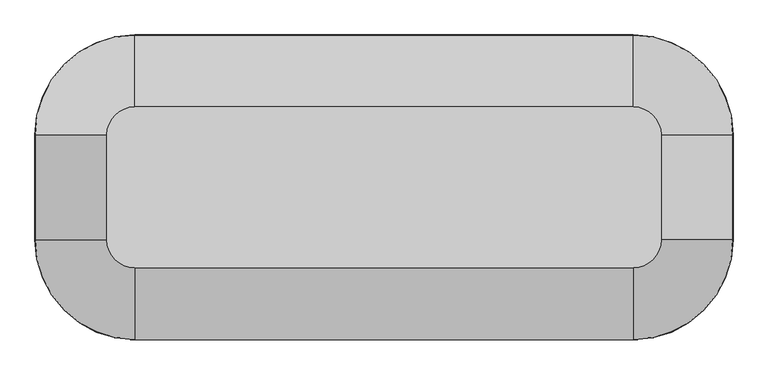
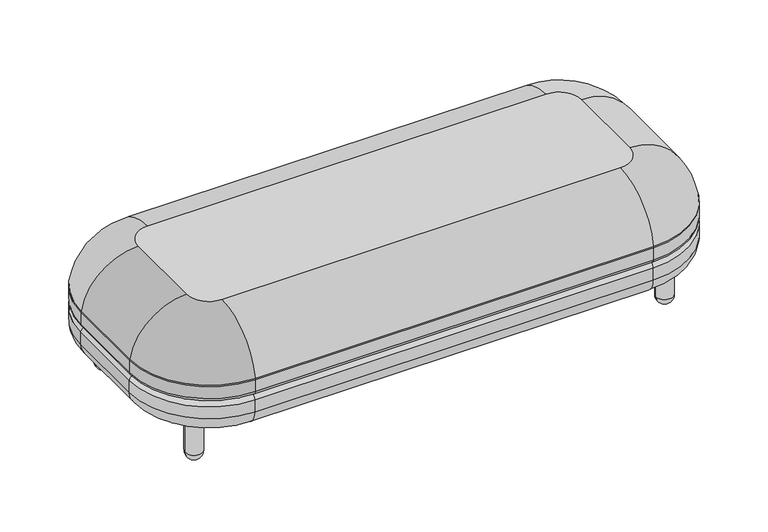
"""IFC4 building model written with IfcOpenShell, lengths in millimetres: furniture geometry."""

from ifc_helpers import new_model, si_unit, point, frame, origin, place, context, project, spatial, circle_curve, ellipse_curve, trimmed, source, transform, mapped, element, save
from ifc_brep_helpers import plane_surface, cylinder_surface, revolved_surface, advanced_brep


def furniture_2217c42d(model_context):
    return source(origin(), model_context, "Body", "AdvancedBrep", [
        advanced_brep(
        [(1295.4286011, 315.1683594, 275.7565503), (1524.0286011, 86.5683594, 275.7565503), (1524.0286011, 86.5683594, 239.7125), (1295.4286011, 315.1683594, 239.7125), (152.4286011, 315.1683594, 239.7125), (152.4286011, 315.1683594, 275.7565503), (-76.1713989, 86.5683594, 239.7125), (-76.1713989, 86.5683594, 275.7565503), (-76.1713989, -154.7316406, 239.7125), (-76.1713989, -154.7316406, 275.7565503), (152.4286011, -383.3316406, 239.7125), (152.4286011, -383.3316406, 275.7565503), (1295.4286011, -383.3316406, 239.7125), (1295.4286011, -383.3316406, 275.7565503), (1524.0286011, -154.7316406, 239.7125), (1524.0286011, -154.7316406, 275.7565503), (1511.3286011, 86.5683594, 227.0125), (1511.3286011, -154.7316406, 227.0125), (1295.4286011, -370.6316406, 227.0125), (152.4286011, -370.6316406, 227.0125), (-63.4713989, -154.7316406, 227.0125), (-63.4713989, 86.5683594, 227.0125), (152.4286011, 302.4683594, 227.0125), (1295.4286011, 302.4683594, 227.0125), (152.4286011, -218.2316406, 419.1), (1295.4286011, -218.2316406, 419.1), (1358.9286011, -154.7316406, 419.1), (1358.9286011, 86.5683594, 419.1), (1295.4286011, 150.0683594, 419.1), (152.4286011, 150.0683594, 419.1), (88.9286011, 86.5683594, 419.1), (88.9286011, -154.7316406, 419.1), (1523.6689183, 86.5683594, 280.0159534), (1295.4286011, 314.8086766, 280.0159534), (152.4286011, 314.8086766, 280.0159534), (-75.8117161, 86.5683594, 280.0159534), (-75.8117161, -154.7316406, 280.0159534), (152.4286011, -382.9719578, 280.0159534), (1295.4286011, -382.9719578, 280.0159534), (1523.6689183, -154.7316406, 280.0159534)],
        [
            (0, 1, circle_curve(frame((1295.4286011, 86.5683594, 275.7565503), z_axis=(0.0, 0.0, -1.0), x_axis=(1.0, 0.0, 0.0)), 228.6)),
            (1, 2),
            (2, 3, circle_curve(frame((1295.4286011, 86.5683594, 239.7125), z_axis=(0.0, 0.0, 1.0), x_axis=(1.0, 0.0, 0.0)), 228.6)),
            (3, 0),
            (3, 4),
            (4, 5),
            (5, 0),
            (4, 6, circle_curve(frame((152.4286011, 86.5683594, 239.7125), z_axis=(0.0, 0.0, 1.0), x_axis=(0.0, 1.0, 0.0)), 228.6)),
            (6, 7),
            (7, 5, circle_curve(frame((152.4286011, 86.5683594, 275.7565503), z_axis=(0.0, 0.0, -1.0), x_axis=(0.0, 1.0, 0.0)), 228.6)),
            (6, 8),
            (8, 9),
            (9, 7),
            (8, 10, circle_curve(frame((152.4286011, -154.7316406, 239.7125), z_axis=(0.0, 0.0, 1.0), x_axis=(-1.0, 0.0, 0.0)), 228.6)),
            (10, 11),
            (11, 9, circle_curve(frame((152.4286011, -154.7316406, 275.7565503), z_axis=(0.0, 0.0, -1.0), x_axis=(-1.0, 0.0, 0.0)), 228.6)),
            (10, 12),
            (12, 13),
            (13, 11),
            (12, 14, circle_curve(frame((1295.4286011, -154.7316406, 239.7125), z_axis=(0.0, 0.0, 1.0), x_axis=(0.0, -1.0, 0.0)), 228.6)),
            (14, 15),
            (15, 13, circle_curve(frame((1295.4286011, -154.7316406, 275.7565503), z_axis=(0.0, 0.0, -1.0), x_axis=(0.0, -1.0, 0.0)), 228.6)),
            (16, 17),
            (17, 18, circle_curve(frame((1295.4286011, -154.7316406, 227.0125), z_axis=(0.0, 0.0, -1.0), x_axis=(0.0, -1.0, 0.0)), 215.9)),
            (18, 19),
            (19, 20, circle_curve(frame((152.4286011, -154.7316406, 227.0125), z_axis=(0.0, 0.0, -1.0), x_axis=(-1.0, 0.0, 0.0)), 215.9)),
            (20, 21),
            (21, 22, circle_curve(frame((152.4286011, 86.5683594, 227.0125), z_axis=(0.0, 0.0, -1.0), x_axis=(0.0, 1.0, 0.0)), 215.9)),
            (22, 23),
            (23, 16, circle_curve(frame((1295.4286011, 86.5683594, 227.0125), z_axis=(0.0, 0.0, -1.0), x_axis=(1.0, 0.0, 0.0)), 215.9)),
            (1, 15),
            (14, 2),
            (24, 25),
            (25, 26, circle_curve(frame((1295.4286011, -154.7316406, 419.1), z_axis=(0.0, 0.0, 1.0), x_axis=(0.0, -1.0, 0.0)), 63.5)),
            (26, 27),
            (27, 28, circle_curve(frame((1295.4286011, 86.5683594, 419.1), z_axis=(0.0, 0.0, 1.0), x_axis=(1.0, 0.0, 0.0)), 63.5)),
            (28, 29),
            (29, 30, circle_curve(frame((152.4286011, 86.5683594, 419.1), z_axis=(0.0, 0.0, 1.0), x_axis=(0.0, 1.0, 0.0)), 63.5)),
            (30, 31),
            (31, 24, circle_curve(frame((152.4286011, -154.7316406, 419.1), z_axis=(0.0, 0.0, 1.0), x_axis=(-1.0, 0.0, 0.0)), 63.5)),
            (27, 32, circle_curve(frame((1358.9286011, 86.5683594, 251.9933287), z_axis=(0.0, 1.0, 0.0), x_axis=(-1.0, 0.0, 0.0)), 167.1066713)),
            (32, 33, circle_curve(frame((1295.4286011, 86.5683594, 280.0159534), z_axis=(0.0, 0.0, 1.0), x_axis=(1.0, 0.0, 0.0)), 228.2403172)),
            (33, 28, circle_curve(frame((1295.4286011, 150.0683594, 251.9933287), z_axis=(1.0, 0.0, 0.0), x_axis=(0.0, -1.0, 0.0)), 167.1066713)),
            (33, 34),
            (34, 29, circle_curve(frame((152.4286011, 150.0683594, 251.9933287), z_axis=(1.0, 0.0, 0.0), x_axis=(0.0, -1.0, 0.0)), 167.1066713)),
            (34, 35, circle_curve(frame((152.4286011, 86.5683594, 280.0159534), z_axis=(0.0, 0.0, 1.0), x_axis=(0.0, 1.0, 0.0)), 228.2403172)),
            (35, 30, circle_curve(frame((88.9286011, 86.5683594, 251.9933287), z_axis=(0.0, 1.0, 0.0), x_axis=(1.0, 0.0, 0.0)), 167.1066713)),
            (35, 36),
            (36, 31, circle_curve(frame((88.9286011, -154.7316406, 251.9933287), z_axis=(0.0, 1.0, 0.0), x_axis=(1.0, 0.0, 0.0)), 167.1066713)),
            (36, 37, circle_curve(frame((152.4286011, -154.7316406, 280.0159534), z_axis=(0.0, 0.0, 1.0), x_axis=(-1.0, 0.0, 0.0)), 228.2403172)),
            (37, 24, circle_curve(frame((152.4286011, -218.2316406, 251.9933287), z_axis=(-1.0, 0.0, 0.0), x_axis=(0.0, 1.0, 0.0)), 167.1066713)),
            (37, 38),
            (38, 25, circle_curve(frame((1295.4286011, -218.2316406, 251.9933287), z_axis=(-1.0, 0.0, 0.0), x_axis=(0.0, 1.0, 0.0)), 167.1066713)),
            (38, 39, circle_curve(frame((1295.4286011, -154.7316406, 280.0159534), z_axis=(0.0, 0.0, 1.0), x_axis=(0.0, -1.0, 0.0)), 228.2403172)),
            (39, 26, circle_curve(frame((1358.9286011, -154.7316406, 251.9933287), z_axis=(0.0, -1.0, 0.0), x_axis=(-1.0, 0.0, 0.0)), 167.1066713)),
            (39, 32),
            (0, 33, circle_curve(frame((1295.4286011, 289.7683594, 275.7565503), z_axis=(1.0, 0.0, 0.0), x_axis=(0.0, -1.0, 0.0)), 25.4)),
            (32, 1, circle_curve(frame((1498.6286011, 86.5683594, 275.7565503), z_axis=(0.0, 1.0, 0.0), x_axis=(-1.0, 0.0, 0.0)), 25.4)),
            (5, 34, circle_curve(frame((152.4286011, 289.7683594, 275.7565503), z_axis=(1.0, 0.0, 0.0), x_axis=(0.0, -1.0, 0.0)), 25.4)),
            (7, 35, circle_curve(frame((-50.7713989, 86.5683594, 275.7565503), z_axis=(0.0, 1.0, 0.0), x_axis=(1.0, 0.0, 0.0)), 25.4)),
            (9, 36, circle_curve(frame((-50.7713989, -154.7316406, 275.7565503), z_axis=(0.0, 1.0, 0.0), x_axis=(1.0, 0.0, 0.0)), 25.4)),
            (11, 37, circle_curve(frame((152.4286011, -357.9316406, 275.7565503), z_axis=(-1.0, 0.0, 0.0), x_axis=(0.0, 1.0, 0.0)), 25.4)),
            (13, 38, circle_curve(frame((1295.4286011, -357.9316406, 275.7565503), z_axis=(-1.0, 0.0, 0.0), x_axis=(0.0, 1.0, 0.0)), 25.4)),
            (15, 39, circle_curve(frame((1498.6286011, -154.7316406, 275.7565503), z_axis=(0.0, -1.0, 0.0), x_axis=(-1.0, 0.0, 0.0)), 25.4)),
            (2, 16, circle_curve(frame((1511.3286011, 86.5683594, 239.7125), z_axis=(0.0, 1.0, 0.0), x_axis=(-1.0, 0.0, 0.0)), 12.7)),
            (23, 3, circle_curve(frame((1295.4286011, 302.4683594, 239.7125), z_axis=(1.0, 0.0, 0.0), x_axis=(0.0, -1.0, 0.0)), 12.7)),
            (22, 4, circle_curve(frame((152.4286011, 302.4683594, 239.7125), z_axis=(1.0, 0.0, 0.0), x_axis=(0.0, -1.0, 0.0)), 12.7)),
            (21, 6, circle_curve(frame((-63.4713989, 86.5683594, 239.7125), z_axis=(0.0, 1.0, 0.0), x_axis=(1.0, 0.0, 0.0)), 12.7)),
            (20, 8, circle_curve(frame((-63.4713989, -154.7316406, 239.7125), z_axis=(0.0, 1.0, 0.0), x_axis=(1.0, 0.0, 0.0)), 12.7)),
            (19, 10, circle_curve(frame((152.4286011, -370.6316406, 239.7125), z_axis=(-1.0, 0.0, 0.0), x_axis=(0.0, 1.0, 0.0)), 12.7)),
            (18, 12, circle_curve(frame((1295.4286011, -370.6316406, 239.7125), z_axis=(-1.0, 0.0, 0.0), x_axis=(0.0, 1.0, 0.0)), 12.7)),
            (17, 14, circle_curve(frame((1511.3286011, -154.7316406, 239.7125), z_axis=(0.0, -1.0, 0.0), x_axis=(-1.0, 0.0, 0.0)), 12.7)),
        ],
        [
            cylinder_surface(frame((1295.4286011, 86.5683594, 419.1), z_axis=(0.0, 0.0, 1.0), x_axis=(1.0, 0.0, 0.0)), 228.6),
            plane_surface(frame((1295.4286011, 315.1683594, 239.7125), z_axis=(0.0, 1.0, 0.0), x_axis=(-1.0, 0.0, 0.0))),
            cylinder_surface(frame((152.4286011, 86.5683594, 419.1), z_axis=(0.0, 0.0, 1.0), x_axis=(0.0, 1.0, 0.0)), 228.6),
            plane_surface(frame((-76.1713989, 86.5683594, 239.7125), z_axis=(-1.0, 0.0, 0.0), x_axis=(0.0, -1.0, 0.0))),
            cylinder_surface(frame((152.4286011, -154.7316406, 419.1), z_axis=(0.0, 0.0, 1.0), x_axis=(-1.0, 0.0, 0.0)), 228.6),
            plane_surface(frame((152.4286011, -383.3316406, 239.7125), z_axis=(0.0, -1.0, 0.0), x_axis=(1.0, 0.0, 0.0))),
            cylinder_surface(frame((1295.4286011, -154.7316406, 419.1), z_axis=(0.0, 0.0, 1.0), x_axis=(0.0, -1.0, 0.0)), 228.6),
            plane_surface(frame((1333.5286011, -154.7316406, 227.0125), z_axis=(0.0, 0.0, -1.0), x_axis=(0.0, 1.0, 0.0))),
            plane_surface(frame((1524.0286011, -154.7316406, 239.7125), z_axis=(1.0, 0.0, 0.0), x_axis=(0.0, 1.0, 0.0))),
            plane_surface(frame((1358.9286011, -154.7316406, 419.1), z_axis=(0.0, 0.0, 1.0), x_axis=(0.0, 1.0, 0.0))),
            revolved_surface(trimmed(ellipse_curve(frame((1358.9286011, 86.5683594, 251.9933287), z_axis=(0.0, -1.0, 0.0), x_axis=(-1.0, 0.0, 0.0)), 167.1066713, 167.1066713), [point((1523.6689183, 86.5683594, 280.0159534))], [point((1358.9286011, 86.5683594, 419.1))], True, "CARTESIAN"), (1295.4286011, 86.5683594, 419.1), (0.0, 0.0, 1.0)),
            cylinder_surface(frame((1295.4286011, 150.0683594, 251.9933287), z_axis=(1.0, 0.0, 0.0), x_axis=(0.0, -1.0, 0.0)), 167.1066713),
            revolved_surface(trimmed(ellipse_curve(frame((152.4286011, 150.0683594, 251.9933287), z_axis=(1.0, 0.0, 0.0), x_axis=(0.0, -1.0, 0.0)), 167.1066713, 167.1066713), [point((152.4286011, 314.8086766, 280.0159534))], [point((152.4286011, 150.0683594, 419.1))], True, "CARTESIAN"), (152.4286011, 86.5683594, 419.1), (0.0, 0.0, 1.0)),
            cylinder_surface(frame((88.9286011, 86.5683594, 251.9933287), z_axis=(0.0, 1.0, 0.0), x_axis=(1.0, 0.0, 0.0)), 167.1066713),
            revolved_surface(trimmed(ellipse_curve(frame((88.9286011, -154.7316406, 251.9933287), z_axis=(0.0, 1.0, 0.0), x_axis=(1.0, 0.0, 0.0)), 167.1066713, 167.1066713), [point((-75.8117161, -154.7316406, 280.0159534))], [point((88.9286011, -154.7316406, 419.1))], True, "CARTESIAN"), (152.4286011, -154.7316406, 419.1), (0.0, 0.0, 1.0)),
            cylinder_surface(frame((152.4286011, -218.2316406, 251.9933287), z_axis=(-1.0, 0.0, 0.0), x_axis=(0.0, 1.0, 0.0)), 167.1066713),
            revolved_surface(trimmed(ellipse_curve(frame((1295.4286011, -218.2316406, 251.9933287), z_axis=(-1.0, 0.0, 0.0), x_axis=(0.0, 1.0, 0.0)), 167.1066713, 167.1066713), [point((1295.4286011, -382.9719578, 280.0159534))], [point((1295.4286011, -218.2316406, 419.1))], True, "CARTESIAN"), (1295.4286011, -154.7316406, 419.1), (0.0, 0.0, 1.0)),
            cylinder_surface(frame((1358.9286011, -154.7316406, 251.9933287), z_axis=(0.0, -1.0, 0.0), x_axis=(-1.0, 0.0, 0.0)), 167.1066713),
            revolved_surface(trimmed(ellipse_curve(frame((1498.6286011, 86.5683594, 275.7565503), z_axis=(0.0, -1.0, 0.0), x_axis=(-1.0, 0.0, 0.0)), 25.4, 25.4), [point((1524.0286011, 86.5683594, 275.7565503))], [point((1523.6689183, 86.5683594, 280.0159534))], True, "CARTESIAN"), (1295.4286011, 86.5683594, 419.1), (0.0, 0.0, 1.0)),
            cylinder_surface(frame((1295.4286011, 289.7683594, 275.7565503), z_axis=(1.0, 0.0, 0.0), x_axis=(0.0, -1.0, 0.0)), 25.4),
            revolved_surface(trimmed(ellipse_curve(frame((152.4286011, 289.7683594, 275.7565503), z_axis=(1.0, 0.0, 0.0), x_axis=(0.0, -1.0, 0.0)), 25.4, 25.4), [point((152.4286011, 315.1683594, 275.7565503))], [point((152.4286011, 314.8086766, 280.0159534))], True, "CARTESIAN"), (152.4286011, 86.5683594, 419.1), (0.0, 0.0, 1.0)),
            cylinder_surface(frame((-50.7713989, 86.5683594, 275.7565503), z_axis=(0.0, 1.0, 0.0), x_axis=(1.0, 0.0, 0.0)), 25.4),
            revolved_surface(trimmed(ellipse_curve(frame((-50.7713989, -154.7316406, 275.7565503), z_axis=(0.0, 1.0, 0.0), x_axis=(1.0, 0.0, 0.0)), 25.4, 25.4), [point((-76.1713989, -154.7316406, 275.7565503))], [point((-75.8117161, -154.7316406, 280.0159534))], True, "CARTESIAN"), (152.4286011, -154.7316406, 419.1), (0.0, 0.0, 1.0)),
            cylinder_surface(frame((152.4286011, -357.9316406, 275.7565503), z_axis=(-1.0, 0.0, 0.0), x_axis=(0.0, 1.0, 0.0)), 25.4),
            revolved_surface(trimmed(ellipse_curve(frame((1295.4286011, -357.9316406, 275.7565503), z_axis=(-1.0, 0.0, 0.0), x_axis=(0.0, 1.0, 0.0)), 25.4, 25.4), [point((1295.4286011, -383.3316406, 275.7565503))], [point((1295.4286011, -382.9719578, 280.0159534))], True, "CARTESIAN"), (1295.4286011, -154.7316406, 419.1), (0.0, 0.0, 1.0)),
            cylinder_surface(frame((1498.6286011, -154.7316406, 275.7565503), z_axis=(0.0, -1.0, 0.0), x_axis=(-1.0, 0.0, 0.0)), 25.4),
            revolved_surface(trimmed(ellipse_curve(frame((1511.3286011, 86.5683594, 239.7125), z_axis=(0.0, -1.0, 0.0), x_axis=(-1.0, 0.0, 0.0)), 12.7, 12.7), [point((1511.3286011, 86.5683594, 227.0125))], [point((1524.0286011, 86.5683594, 239.7125))], True, "CARTESIAN"), (1295.4286011, 86.5683594, 419.1), (0.0, 0.0, 1.0)),
            cylinder_surface(frame((1295.4286011, 302.4683594, 239.7125), z_axis=(1.0, 0.0, 0.0), x_axis=(0.0, -1.0, 0.0)), 12.7),
            revolved_surface(trimmed(ellipse_curve(frame((152.4286011, 302.4683594, 239.7125), z_axis=(1.0, 0.0, 0.0), x_axis=(0.0, -1.0, 0.0)), 12.7, 12.7), [point((152.4286011, 302.4683594, 227.0125))], [point((152.4286011, 315.1683594, 239.7125))], True, "CARTESIAN"), (152.4286011, 86.5683594, 419.1), (0.0, 0.0, 1.0)),
            cylinder_surface(frame((-63.4713989, 86.5683594, 239.7125), z_axis=(0.0, 1.0, 0.0), x_axis=(1.0, 0.0, 0.0)), 12.7),
            revolved_surface(trimmed(ellipse_curve(frame((-63.4713989, -154.7316406, 239.7125), z_axis=(0.0, 1.0, 0.0), x_axis=(1.0, 0.0, 0.0)), 12.7, 12.7), [point((-63.4713989, -154.7316406, 227.0125))], [point((-76.1713989, -154.7316406, 239.7125))], True, "CARTESIAN"), (152.4286011, -154.7316406, 419.1), (0.0, 0.0, 1.0)),
            cylinder_surface(frame((152.4286011, -370.6316406, 239.7125), z_axis=(-1.0, 0.0, 0.0), x_axis=(0.0, 1.0, 0.0)), 12.7),
            revolved_surface(trimmed(ellipse_curve(frame((1295.4286011, -370.6316406, 239.7125), z_axis=(-1.0, 0.0, 0.0), x_axis=(0.0, 1.0, 0.0)), 12.7, 12.7), [point((1295.4286011, -370.6316406, 227.0125))], [point((1295.4286011, -383.3316406, 239.7125))], True, "CARTESIAN"), (1295.4286011, -154.7316406, 419.1), (0.0, 0.0, 1.0)),
            cylinder_surface(frame((1511.3286011, -154.7316406, 239.7125), z_axis=(0.0, -1.0, 0.0), x_axis=(-1.0, 0.0, 0.0)), 12.7),
        ],
        [
            (0, [[1, 2, 3, 4]]),
            (1, [[-4, 5, 6, 7]]),
            (2, [[-6, 8, 9, 10]]),
            (3, [[-9, 11, 12, 13]]),
            (4, [[-12, 14, 15, 16]]),
            (5, [[-15, 17, 18, 19]]),
            (6, [[-18, 20, 21, 22]]),
            (7, [[23, 24, 25, 26, 27, 28, 29, 30]]),
            (8, [[-2, 31, -21, 32]]),
            (9, [[33, 34, 35, 36, 37, 38, 39, 40]]),
            (10, [[-36, 41, 42, 43]]),
            (11, [[-37, -43, 44, 45]]),
            (12, [[-38, -45, 46, 47]]),
            (13, [[-39, -47, 48, 49]]),
            (14, [[-40, -49, 50, 51]]),
            (15, [[-33, -51, 52, 53]]),
            (16, [[-34, -53, 54, 55]]),
            (17, [[-35, -55, 56, -41]]),
            (18, [[-1, 57, -42, 58]]),
            (19, [[-7, 59, -44, -57]]),
            (20, [[-10, 60, -46, -59]]),
            (21, [[-13, 61, -48, -60]]),
            (22, [[-16, 62, -50, -61]]),
            (23, [[-19, 63, -52, -62]]),
            (24, [[-22, 64, -54, -63]]),
            (25, [[-31, -58, -56, -64]]),
            (26, [[-3, 65, -30, 66]]),
            (27, [[-5, -66, -29, 67]]),
            (28, [[-8, -67, -28, 68]]),
            (29, [[-11, -68, -27, 69]]),
            (30, [[-14, -69, -26, 70]]),
            (31, [[-17, -70, -25, 71]]),
            (32, [[-20, -71, -24, 72]]),
            (33, [[-23, -65, -32, -72]]),
        ],
    ),
        advanced_brep(
        [(1295.4286011, -383.3316406, 178.59375), (1524.0286011, -154.7316406, 178.59375), (1524.0286011, -154.7316406, 214.3125), (1295.4286011, -383.3316406, 214.3125), (1295.4286011, -330.1503906, 125.4125), (1470.8473511, -154.7316406, 125.4125), (152.4286011, -383.3316406, 214.3125), (152.4286011, -383.3316406, 178.59375), (152.4286011, -330.1503906, 125.4125), (-76.1713989, -154.7316406, 214.3125), (-76.1713989, -154.7316406, 178.59375), (-22.9901489, -154.7316406, 125.4125), (-76.1713989, 86.5683594, 214.3125), (-76.1713989, 86.5683594, 178.59375), (-22.9901489, 86.5683594, 125.4125), (152.4286011, 315.1683594, 214.3125), (152.4286011, 315.1683594, 178.59375), (152.4286011, 261.9871094, 125.4125), (1295.4286011, 315.1683594, 214.3125), (1295.4286011, 315.1683594, 178.59375), (1295.4286011, 261.9871094, 125.4125), (1524.0286011, 86.5683594, 214.3125), (1524.0286011, 86.5683594, 178.59375), (1470.8473511, 86.5683594, 125.4125), (1511.3286011, -154.7316406, 227.0125), (1511.3286011, 86.5683594, 227.0125), (1295.4286011, 302.4683594, 227.0125), (152.4286011, 302.4683594, 227.0125), (-63.4713989, 86.5683594, 227.0125), (-63.4713989, -154.7316406, 227.0125), (152.4286011, -370.6316406, 227.0125), (1295.4286011, -370.6316406, 227.0125)],
        [
            (0, 1, circle_curve(frame((1295.4286011, -154.7316406, 178.59375), z_axis=(0.0, 0.0, 1.0), x_axis=(1.0, 0.0, 0.0)), 228.6)),
            (1, 2),
            (2, 3, circle_curve(frame((1295.4286011, -154.7316406, 214.3125), z_axis=(0.0, 0.0, -1.0), x_axis=(1.0, 0.0, 0.0)), 228.6)),
            (3, 0),
            (0, 4, circle_curve(frame((1295.4286011, -330.1503906, 178.59375), z_axis=(1.0, 0.0, 0.0), x_axis=(0.0, 1.0, 0.0)), 53.18125)),
            (4, 5, circle_curve(frame((1295.4286011, -154.7316406, 125.4125), z_axis=(0.0, 0.0, 1.0), x_axis=(1.0, 0.0, 0.0)), 175.41875)),
            (5, 1, circle_curve(frame((1470.8473511, -154.7316406, 178.59375), z_axis=(0.0, -1.0, 0.0), x_axis=(-1.0, 0.0, 0.0)), 53.18125)),
            (3, 6),
            (6, 7),
            (7, 0),
            (7, 8, circle_curve(frame((152.4286011, -330.1503906, 178.59375), z_axis=(1.0, 0.0, 0.0), x_axis=(0.0, 1.0, 0.0)), 53.18125)),
            (8, 4),
            (6, 9, circle_curve(frame((152.4286011, -154.7316406, 214.3125), z_axis=(0.0, 0.0, -1.0), x_axis=(0.0, -1.0, 0.0)), 228.6)),
            (9, 10),
            (10, 7, circle_curve(frame((152.4286011, -154.7316406, 178.59375), z_axis=(0.0, 0.0, 1.0), x_axis=(0.0, -1.0, 0.0)), 228.6)),
            (10, 11, circle_curve(frame((-22.9901489, -154.7316406, 178.59375), z_axis=(0.0, -1.0, 0.0), x_axis=(1.0, 0.0, 0.0)), 53.18125)),
            (11, 8, circle_curve(frame((152.4286011, -154.7316406, 125.4125), z_axis=(0.0, 0.0, 1.0), x_axis=(0.0, -1.0, 0.0)), 175.41875)),
            (9, 12),
            (12, 13),
            (13, 10),
            (13, 14, circle_curve(frame((-22.9901489, 86.5683594, 178.59375), z_axis=(0.0, -1.0, 0.0), x_axis=(1.0, 0.0, 0.0)), 53.18125)),
            (14, 11),
            (12, 15, circle_curve(frame((152.4286011, 86.5683594, 214.3125), z_axis=(0.0, 0.0, -1.0), x_axis=(-1.0, 0.0, 0.0)), 228.6)),
            (15, 16),
            (16, 13, circle_curve(frame((152.4286011, 86.5683594, 178.59375), z_axis=(0.0, 0.0, 1.0), x_axis=(-1.0, 0.0, 0.0)), 228.6)),
            (16, 17, circle_curve(frame((152.4286011, 261.9871094, 178.59375), z_axis=(-1.0, 0.0, 0.0), x_axis=(0.0, -1.0, 0.0)), 53.18125)),
            (17, 14, circle_curve(frame((152.4286011, 86.5683594, 125.4125), z_axis=(0.0, 0.0, 1.0), x_axis=(-1.0, 0.0, 0.0)), 175.41875)),
            (15, 18),
            (18, 19),
            (19, 16),
            (19, 20, circle_curve(frame((1295.4286011, 261.9871094, 178.59375), z_axis=(-1.0, 0.0, 0.0), x_axis=(0.0, -1.0, 0.0)), 53.18125)),
            (20, 17),
            (18, 21, circle_curve(frame((1295.4286011, 86.5683594, 214.3125), z_axis=(0.0, 0.0, -1.0), x_axis=(0.0, 1.0, 0.0)), 228.6)),
            (21, 22),
            (22, 19, circle_curve(frame((1295.4286011, 86.5683594, 178.59375), z_axis=(0.0, 0.0, 1.0), x_axis=(0.0, 1.0, 0.0)), 228.6)),
            (22, 23, circle_curve(frame((1470.8473511, 86.5683594, 178.59375), z_axis=(0.0, 1.0, 0.0), x_axis=(-1.0, 0.0, 0.0)), 53.18125)),
            (23, 20, circle_curve(frame((1295.4286011, 86.5683594, 125.4125), z_axis=(0.0, 0.0, 1.0), x_axis=(0.0, 1.0, 0.0)), 175.41875)),
            (24, 25),
            (25, 26, circle_curve(frame((1295.4286011, 86.5683594, 227.0125), z_axis=(0.0, 0.0, 1.0), x_axis=(0.0, 1.0, 0.0)), 215.9)),
            (26, 27),
            (27, 28, circle_curve(frame((152.4286011, 86.5683594, 227.0125), z_axis=(0.0, 0.0, 1.0), x_axis=(-1.0, 0.0, 0.0)), 215.9)),
            (28, 29),
            (29, 30, circle_curve(frame((152.4286011, -154.7316406, 227.0125), z_axis=(0.0, 0.0, 1.0), x_axis=(0.0, -1.0, 0.0)), 215.9)),
            (30, 31),
            (31, 24, circle_curve(frame((1295.4286011, -154.7316406, 227.0125), z_axis=(0.0, 0.0, 1.0), x_axis=(1.0, 0.0, 0.0)), 215.9)),
            (1, 22),
            (21, 2),
            (5, 23),
            (2, 24, circle_curve(frame((1511.3286011, -154.7316406, 214.3125), z_axis=(0.0, -1.0, 0.0), x_axis=(-1.0, 0.0, 0.0)), 12.7)),
            (31, 3, circle_curve(frame((1295.4286011, -370.6316406, 214.3125), z_axis=(1.0, 0.0, 0.0), x_axis=(0.0, 1.0, 0.0)), 12.7)),
            (30, 6, circle_curve(frame((152.4286011, -370.6316406, 214.3125), z_axis=(1.0, 0.0, 0.0), x_axis=(0.0, 1.0, 0.0)), 12.7)),
            (29, 9, circle_curve(frame((-63.4713989, -154.7316406, 214.3125), z_axis=(0.0, -1.0, 0.0), x_axis=(1.0, 0.0, 0.0)), 12.7)),
            (28, 12, circle_curve(frame((-63.4713989, 86.5683594, 214.3125), z_axis=(0.0, -1.0, 0.0), x_axis=(1.0, 0.0, 0.0)), 12.7)),
            (27, 15, circle_curve(frame((152.4286011, 302.4683594, 214.3125), z_axis=(-1.0, 0.0, 0.0), x_axis=(0.0, -1.0, 0.0)), 12.7)),
            (26, 18, circle_curve(frame((1295.4286011, 302.4683594, 214.3125), z_axis=(-1.0, 0.0, 0.0), x_axis=(0.0, -1.0, 0.0)), 12.7)),
            (25, 21, circle_curve(frame((1511.3286011, 86.5683594, 214.3125), z_axis=(0.0, 1.0, 0.0), x_axis=(-1.0, 0.0, 0.0)), 12.7)),
        ],
        [
            cylinder_surface(frame((1295.4286011, -154.7316406, 125.4125), z_axis=(0.0, 0.0, -1.0), x_axis=(1.0, 0.0, 0.0)), 228.6),
            revolved_surface(trimmed(ellipse_curve(frame((1470.8473511, -154.7316406, 178.59375), z_axis=(0.0, 1.0, 0.0), x_axis=(-1.0, 0.0, 0.0)), 53.18125, 53.18125), [point((1524.0286011, -154.7316406, 178.59375))], [point((1470.8473511, -154.7316406, 125.4125))], True, "CARTESIAN"), (1295.4286011, -154.7316406, 125.4125), (0.0, 0.0, -1.0)),
            plane_surface(frame((1295.4286011, -383.3316406, 214.3125), z_axis=(0.0, -1.0, 0.0), x_axis=(-1.0, 0.0, 0.0))),
            cylinder_surface(frame((1295.4286011, -330.1503906, 178.59375), z_axis=(1.0, 0.0, 0.0), x_axis=(0.0, 1.0, 0.0)), 53.18125),
            cylinder_surface(frame((152.4286011, -154.7316406, 125.4125), z_axis=(0.0, 0.0, -1.0), x_axis=(0.0, -1.0, 0.0)), 228.6),
            revolved_surface(trimmed(ellipse_curve(frame((152.4286011, -330.1503906, 178.59375), z_axis=(1.0, 0.0, 0.0), x_axis=(0.0, 1.0, 0.0)), 53.18125, 53.18125), [point((152.4286011, -383.3316406, 178.59375))], [point((152.4286011, -330.1503906, 125.4125))], True, "CARTESIAN"), (152.4286011, -154.7316406, 125.4125), (0.0, 0.0, -1.0)),
            plane_surface(frame((-76.1713989, -154.7316406, 214.3125), z_axis=(-1.0, 0.0, 0.0), x_axis=(0.0, 1.0, 0.0))),
            cylinder_surface(frame((-22.9901489, -154.7316406, 178.59375), z_axis=(0.0, -1.0, 0.0), x_axis=(1.0, 0.0, 0.0)), 53.18125),
            cylinder_surface(frame((152.4286011, 86.5683594, 125.4125), z_axis=(0.0, 0.0, -1.0), x_axis=(-1.0, 0.0, 0.0)), 228.6),
            revolved_surface(trimmed(ellipse_curve(frame((-22.9901489, 86.5683594, 178.59375), z_axis=(0.0, -1.0, 0.0), x_axis=(1.0, 0.0, 0.0)), 53.18125, 53.18125), [point((-76.1713989, 86.5683594, 178.59375))], [point((-22.9901489, 86.5683594, 125.4125))], True, "CARTESIAN"), (152.4286011, 86.5683594, 125.4125), (0.0, 0.0, -1.0)),
            plane_surface(frame((152.4286011, 315.1683594, 214.3125), z_axis=(0.0, 1.0, 0.0), x_axis=(1.0, 0.0, 0.0))),
            cylinder_surface(frame((152.4286011, 261.9871094, 178.59375), z_axis=(-1.0, 0.0, 0.0), x_axis=(0.0, -1.0, 0.0)), 53.18125),
            cylinder_surface(frame((1295.4286011, 86.5683594, 125.4125), z_axis=(0.0, 0.0, -1.0), x_axis=(0.0, 1.0, 0.0)), 228.6),
            revolved_surface(trimmed(ellipse_curve(frame((1295.4286011, 261.9871094, 178.59375), z_axis=(-1.0, 0.0, 0.0), x_axis=(0.0, -1.0, 0.0)), 53.18125, 53.18125), [point((1295.4286011, 315.1683594, 178.59375))], [point((1295.4286011, 261.9871094, 125.4125))], True, "CARTESIAN"), (1295.4286011, 86.5683594, 125.4125), (0.0, 0.0, -1.0)),
            plane_surface(frame((1333.5286011, 86.5683594, 227.0125), z_axis=(0.0, 0.0, 1.0), x_axis=(0.0, -1.0, 0.0))),
            plane_surface(frame((1524.0286011, 86.5683594, 214.3125), z_axis=(1.0, 0.0, 0.0), x_axis=(0.0, -1.0, 0.0))),
            cylinder_surface(frame((1470.8473511, 86.5683594, 178.59375), z_axis=(0.0, 1.0, 0.0), x_axis=(-1.0, 0.0, 0.0)), 53.18125),
            plane_surface(frame((1470.8473511, 86.5683594, 125.4125), z_axis=(0.0, 0.0, -1.0), x_axis=(0.0, -1.0, 0.0))),
            revolved_surface(trimmed(ellipse_curve(frame((1511.3286011, -154.7316406, 214.3125), z_axis=(0.0, 1.0, 0.0), x_axis=(-1.0, 0.0, 0.0)), 12.7, 12.7), [point((1511.3286011, -154.7316406, 227.0125))], [point((1524.0286011, -154.7316406, 214.3125))], True, "CARTESIAN"), (1295.4286011, -154.7316406, 125.4125), (0.0, 0.0, -1.0)),
            cylinder_surface(frame((1295.4286011, -370.6316406, 214.3125), z_axis=(1.0, 0.0, 0.0), x_axis=(0.0, 1.0, 0.0)), 12.7),
            revolved_surface(trimmed(ellipse_curve(frame((152.4286011, -370.6316406, 214.3125), z_axis=(1.0, 0.0, 0.0), x_axis=(0.0, 1.0, 0.0)), 12.7, 12.7), [point((152.4286011, -370.6316406, 227.0125))], [point((152.4286011, -383.3316406, 214.3125))], True, "CARTESIAN"), (152.4286011, -154.7316406, 125.4125), (0.0, 0.0, -1.0)),
            cylinder_surface(frame((-63.4713989, -154.7316406, 214.3125), z_axis=(0.0, -1.0, 0.0), x_axis=(1.0, 0.0, 0.0)), 12.7),
            revolved_surface(trimmed(ellipse_curve(frame((-63.4713989, 86.5683594, 214.3125), z_axis=(0.0, -1.0, 0.0), x_axis=(1.0, 0.0, 0.0)), 12.7, 12.7), [point((-63.4713989, 86.5683594, 227.0125))], [point((-76.1713989, 86.5683594, 214.3125))], True, "CARTESIAN"), (152.4286011, 86.5683594, 125.4125), (0.0, 0.0, -1.0)),
            cylinder_surface(frame((152.4286011, 302.4683594, 214.3125), z_axis=(-1.0, 0.0, 0.0), x_axis=(0.0, -1.0, 0.0)), 12.7),
            revolved_surface(trimmed(ellipse_curve(frame((1295.4286011, 302.4683594, 214.3125), z_axis=(-1.0, 0.0, 0.0), x_axis=(0.0, -1.0, 0.0)), 12.7, 12.7), [point((1295.4286011, 302.4683594, 227.0125))], [point((1295.4286011, 315.1683594, 214.3125))], True, "CARTESIAN"), (1295.4286011, 86.5683594, 125.4125), (0.0, 0.0, -1.0)),
            cylinder_surface(frame((1511.3286011, 86.5683594, 214.3125), z_axis=(0.0, 1.0, 0.0), x_axis=(-1.0, 0.0, 0.0)), 12.7),
        ],
        [
            (0, [[1, 2, 3, 4]]),
            (1, [[-1, 5, 6, 7]]),
            (2, [[-4, 8, 9, 10]]),
            (3, [[-5, -10, 11, 12]]),
            (4, [[-9, 13, 14, 15]]),
            (5, [[-11, -15, 16, 17]]),
            (6, [[-14, 18, 19, 20]]),
            (7, [[-16, -20, 21, 22]]),
            (8, [[-19, 23, 24, 25]]),
            (9, [[-21, -25, 26, 27]]),
            (10, [[-24, 28, 29, 30]]),
            (11, [[-26, -30, 31, 32]]),
            (12, [[-29, 33, 34, 35]]),
            (13, [[-31, -35, 36, 37]]),
            (14, [[38, 39, 40, 41, 42, 43, 44, 45]]),
            (15, [[-2, 46, -34, 47]]),
            (16, [[-7, 48, -36, -46]]),
            (17, [[-6, -12, -17, -22, -27, -32, -37, -48]]),
            (18, [[-3, 49, -45, 50]]),
            (19, [[-8, -50, -44, 51]]),
            (20, [[-13, -51, -43, 52]]),
            (21, [[-18, -52, -42, 53]]),
            (22, [[-23, -53, -41, 54]]),
            (23, [[-28, -54, -40, 55]]),
            (24, [[-33, -55, -39, 56]]),
            (25, [[-38, -49, -47, -56]]),
        ],
    ),
        advanced_brep(
        [(1389.5601417, 190.2519531, 0.0), (1408.664248, 190.2519531, 0.0), (1399.1121949, 190.2519531, 0.0), (1399.1121949, 190.2519531, 204.0), (1423.6704942, 190.2519531, 204.0), (1374.5538955, 190.2519531, 204.0), (1423.6704942, 190.2519531, 23.6724089), (1374.5538955, 190.2519531, 23.6724089)],
        [
            (0, 1, circle_curve(frame((1399.1121949, 190.2519531, 0.0), z_axis=(0.0, 0.0, -1.0), x_axis=(1.0, 0.0, 0.0)), 9.5520532)),
            (1, 2),
            (2, 0),
            (1, 0, circle_curve(frame((1399.1121949, 190.2519531, 0.0), z_axis=(0.0, 0.0, -1.0), x_axis=(1.0, 0.0, 0.0)), 9.5520532)),
            (3, 4),
            (4, 5, circle_curve(frame((1399.1121949, 190.2519531, 204.0), z_axis=(0.0, 0.0, 1.0), x_axis=(1.0, 0.0, 0.0)), 24.5582993)),
            (5, 3),
            (5, 4, circle_curve(frame((1399.1121949, 190.2519531, 204.0), z_axis=(0.0, 0.0, 1.0), x_axis=(1.0, 0.0, 0.0)), 24.5582993)),
            (4, 6),
            (6, 7, circle_curve(frame((1399.1121949, 190.2519531, 23.6724089), z_axis=(0.0, 0.0, 1.0), x_axis=(1.0, 0.0, 0.0)), 24.5582993)),
            (7, 5),
            (7, 6, circle_curve(frame((1399.1121949, 190.2519531, 23.6724089), z_axis=(0.0, 0.0, 1.0), x_axis=(1.0, 0.0, 0.0)), 24.5582993)),
            (6, 1, ellipse_curve(frame((1398.0811309, 190.2519531, 23.6724089), z_axis=(0.0, 1.0, 0.0), x_axis=(0.0, 0.0, 1.0)), 26.000204, 25.5893633)),
            (0, 7, ellipse_curve(frame((1400.1432588, 190.2519531, 23.6724089), z_axis=(0.0, 1.0, 0.0), x_axis=(0.0, 0.0, 1.0)), 26.000204, 25.5893633)),
        ],
        [
            plane_surface(frame((1399.1121949, 190.2519531, 0.0), z_axis=(0.0, 0.0, -1.0), x_axis=(1.0, 0.0, 0.0))),
            plane_surface(frame((1399.1121949, 190.2519531, 204.0), z_axis=(0.0, 0.0, 1.0), x_axis=(1.0, 0.0, 0.0))),
            cylinder_surface(frame((1399.1121949, 190.2519531, -76.2), z_axis=(0.0, 0.0, 1.0), x_axis=(1.0, 0.0, 0.0)), 24.5582993),
            revolved_surface(trimmed(ellipse_curve(frame((1398.0811309, 190.2519531, 23.6724089), z_axis=(0.0, -1.0, 0.0), x_axis=(0.0, 0.0, 1.0)), 26.000204, 25.5893633), [point((1408.664248, 190.2519531, 0.0))], [point((1423.6704942, 190.2519531, 23.6724089))], True, "CARTESIAN"), (1399.1121949, 190.2519531, -76.2), (0.0, 0.0, 1.0)),
        ],
        [
            (0, [[1, 2, 3]]),
            (0, [[4, -3, -2]]),
            (1, [[5, 6, 7]]),
            (1, [[-7, 8, -5]]),
            (2, [[-6, 9, 10, 11]]),
            (2, [[-8, -11, 12, -9]]),
            (3, [[-10, 13, -1, 14]]),
            (3, [[-12, -14, -4, -13]]),
        ],
    ),
        advanced_brep(
        [(39.1929542, 190.2519531, 0.0), (58.2970605, 190.2519531, 0.0), (48.7450074, 190.2519531, 0.0), (48.7450074, 190.2519531, 204.0), (73.3033067, 190.2519531, 204.0), (24.186708, 190.2519531, 204.0), (73.3033067, 190.2519531, 23.6724089), (24.186708, 190.2519531, 23.6724089)],
        [
            (0, 1, circle_curve(frame((48.7450074, 190.2519531, 0.0), z_axis=(0.0, 0.0, -1.0), x_axis=(1.0, 0.0, 0.0)), 9.5520532)),
            (1, 2),
            (2, 0),
            (1, 0, circle_curve(frame((48.7450074, 190.2519531, 0.0), z_axis=(0.0, 0.0, -1.0), x_axis=(1.0, 0.0, 0.0)), 9.5520532)),
            (3, 4),
            (4, 5, circle_curve(frame((48.7450074, 190.2519531, 204.0), z_axis=(0.0, 0.0, 1.0), x_axis=(1.0, 0.0, 0.0)), 24.5582993)),
            (5, 3),
            (5, 4, circle_curve(frame((48.7450074, 190.2519531, 204.0), z_axis=(0.0, 0.0, 1.0), x_axis=(1.0, 0.0, 0.0)), 24.5582993)),
            (4, 6),
            (6, 7, circle_curve(frame((48.7450074, 190.2519531, 23.6724089), z_axis=(0.0, 0.0, 1.0), x_axis=(1.0, 0.0, 0.0)), 24.5582993)),
            (7, 5),
            (7, 6, circle_curve(frame((48.7450074, 190.2519531, 23.6724089), z_axis=(0.0, 0.0, 1.0), x_axis=(1.0, 0.0, 0.0)), 24.5582993)),
            (6, 1, ellipse_curve(frame((47.7139434, 190.2519531, 23.6724089), z_axis=(0.0, 1.0, 0.0), x_axis=(0.0, 0.0, 1.0)), 26.000204, 25.5893633)),
            (0, 7, ellipse_curve(frame((49.7760713, 190.2519531, 23.6724089), z_axis=(0.0, 1.0, 0.0), x_axis=(0.0, 0.0, 1.0)), 26.000204, 25.5893633)),
        ],
        [
            plane_surface(frame((48.7450074, 190.2519531, 0.0), z_axis=(0.0, 0.0, -1.0), x_axis=(1.0, 0.0, 0.0))),
            plane_surface(frame((48.7450074, 190.2519531, 204.0), z_axis=(0.0, 0.0, 1.0), x_axis=(1.0, 0.0, 0.0))),
            cylinder_surface(frame((48.7450074, 190.2519531, -76.2), z_axis=(0.0, 0.0, 1.0), x_axis=(1.0, 0.0, 0.0)), 24.5582993),
            revolved_surface(trimmed(ellipse_curve(frame((47.7139434, 190.2519531, 23.6724089), z_axis=(0.0, -1.0, 0.0), x_axis=(0.0, 0.0, 1.0)), 26.000204, 25.5893633), [point((58.2970605, 190.2519531, 0.0))], [point((73.3033067, 190.2519531, 23.6724089))], True, "CARTESIAN"), (48.7450074, 190.2519531, -76.2), (0.0, 0.0, 1.0)),
        ],
        [
            (0, [[1, 2, 3]]),
            (0, [[4, -3, -2]]),
            (1, [[5, 6, 7]]),
            (1, [[-7, 8, -5]]),
            (2, [[-6, 9, 10, 11]]),
            (2, [[-8, -11, 12, -9]]),
            (3, [[-10, 13, -1, 14]]),
            (3, [[-12, -14, -4, -13]]),
        ],
    ),
        advanced_brep(
        [(1399.1121949, -258.4152344, 0.0), (1408.664248, -258.4152344, 0.0), (1389.5601417, -258.4152344, 0.0), (1374.5538955, -258.4152344, 204.0), (1423.6704942, -258.4152344, 204.0), (1399.1121949, -258.4152344, 204.0), (1374.5538955, -258.4152344, 23.6724089), (1423.6704942, -258.4152344, 23.6724089)],
        [
            (0, 1),
            (1, 2, circle_curve(frame((1399.1121949, -258.4152344, 0.0), z_axis=(0.0, 0.0, -1.0), x_axis=(1.0, 0.0, 0.0)), 9.5520532)),
            (2, 0),
            (2, 1, circle_curve(frame((1399.1121949, -258.4152344, 0.0), z_axis=(0.0, 0.0, -1.0), x_axis=(1.0, 0.0, 0.0)), 9.5520532)),
            (3, 4, circle_curve(frame((1399.1121949, -258.4152344, 204.0), z_axis=(0.0, 0.0, 1.0), x_axis=(1.0, 0.0, 0.0)), 24.5582993)),
            (4, 5),
            (5, 3),
            (4, 3, circle_curve(frame((1399.1121949, -258.4152344, 204.0), z_axis=(0.0, 0.0, 1.0), x_axis=(1.0, 0.0, 0.0)), 24.5582993)),
            (6, 7, circle_curve(frame((1399.1121949, -258.4152344, 23.6724089), z_axis=(0.0, 0.0, 1.0), x_axis=(1.0, 0.0, 0.0)), 24.5582993)),
            (7, 4),
            (3, 6),
            (7, 6, circle_curve(frame((1399.1121949, -258.4152344, 23.6724089), z_axis=(0.0, 0.0, 1.0), x_axis=(1.0, 0.0, 0.0)), 24.5582993)),
            (1, 7, ellipse_curve(frame((1398.0811309, -258.4152344, 23.6724089), z_axis=(0.0, -1.0, 0.0), x_axis=(0.0, 0.0, 1.0)), 26.000204, 25.5893633)),
            (6, 2, ellipse_curve(frame((1400.1432588, -258.4152344, 23.6724089), z_axis=(0.0, -1.0, 0.0), x_axis=(0.0, 0.0, 1.0)), 26.000204, 25.5893633)),
        ],
        [
            plane_surface(frame((1399.1121949, -258.4152344, 0.0), z_axis=(0.0, 0.0, -1.0), x_axis=(1.0, 0.0, 0.0))),
            plane_surface(frame((1399.1121949, -258.4152344, 204.0), z_axis=(0.0, 0.0, 1.0), x_axis=(1.0, 0.0, 0.0))),
            cylinder_surface(frame((1399.1121949, -258.4152344, -76.2), z_axis=(0.0, 0.0, -1.0), x_axis=(1.0, 0.0, 0.0)), 24.5582993),
            revolved_surface(trimmed(ellipse_curve(frame((1398.0811309, -258.4152344, 23.6724089), z_axis=(0.0, 1.0, 0.0), x_axis=(0.0, 0.0, 1.0)), 26.000204, 25.5893633), [point((1423.6704942, -258.4152344, 23.6724089))], [point((1408.664248, -258.4152344, 0.0))], True, "CARTESIAN"), (1399.1121949, -258.4152344, -76.2), (0.0, 0.0, -1.0)),
        ],
        [
            (0, [[1, 2, 3]]),
            (0, [[-3, 4, -1]]),
            (1, [[5, 6, 7]]),
            (1, [[8, -7, -6]]),
            (2, [[9, 10, -5, 11]]),
            (2, [[12, -11, -8, -10]]),
            (3, [[-2, 13, -9, 14]]),
            (3, [[-4, -14, -12, -13]]),
        ],
    ),
        advanced_brep(
        [(48.7450074, -258.4152344, 0.0), (58.2970605, -258.4152344, 0.0), (39.1929542, -258.4152344, 0.0), (24.186708, -258.4152344, 204.0), (73.3033067, -258.4152344, 204.0), (48.7450074, -258.4152344, 204.0), (24.186708, -258.4152344, 23.6724089), (73.3033067, -258.4152344, 23.6724089)],
        [
            (0, 1),
            (1, 2, circle_curve(frame((48.7450074, -258.4152344, 0.0), z_axis=(0.0, 0.0, -1.0), x_axis=(1.0, 0.0, 0.0)), 9.5520532)),
            (2, 0),
            (2, 1, circle_curve(frame((48.7450074, -258.4152344, 0.0), z_axis=(0.0, 0.0, -1.0), x_axis=(1.0, 0.0, 0.0)), 9.5520532)),
            (3, 4, circle_curve(frame((48.7450074, -258.4152344, 204.0), z_axis=(0.0, 0.0, 1.0), x_axis=(1.0, 0.0, 0.0)), 24.5582993)),
            (4, 5),
            (5, 3),
            (4, 3, circle_curve(frame((48.7450074, -258.4152344, 204.0), z_axis=(0.0, 0.0, 1.0), x_axis=(1.0, 0.0, 0.0)), 24.5582993)),
            (6, 7, circle_curve(frame((48.7450074, -258.4152344, 23.6724089), z_axis=(0.0, 0.0, 1.0), x_axis=(1.0, 0.0, 0.0)), 24.5582993)),
            (7, 4),
            (3, 6),
            (7, 6, circle_curve(frame((48.7450074, -258.4152344, 23.6724089), z_axis=(0.0, 0.0, 1.0), x_axis=(1.0, 0.0, 0.0)), 24.5582993)),
            (1, 7, ellipse_curve(frame((47.7139434, -258.4152344, 23.6724089), z_axis=(0.0, -1.0, 0.0), x_axis=(0.0, 0.0, 1.0)), 26.000204, 25.5893633)),
            (6, 2, ellipse_curve(frame((49.7760713, -258.4152344, 23.6724089), z_axis=(0.0, -1.0, 0.0), x_axis=(0.0, 0.0, 1.0)), 26.000204, 25.5893633)),
        ],
        [
            plane_surface(frame((48.7450074, -258.4152344, 0.0), z_axis=(0.0, 0.0, -1.0), x_axis=(1.0, 0.0, 0.0))),
            plane_surface(frame((48.7450074, -258.4152344, 204.0), z_axis=(0.0, 0.0, 1.0), x_axis=(1.0, 0.0, 0.0))),
            cylinder_surface(frame((48.7450074, -258.4152344, -76.2), z_axis=(0.0, 0.0, -1.0), x_axis=(1.0, 0.0, 0.0)), 24.5582993),
            revolved_surface(trimmed(ellipse_curve(frame((47.7139434, -258.4152344, 23.6724089), z_axis=(0.0, 1.0, 0.0), x_axis=(0.0, 0.0, 1.0)), 26.000204, 25.5893633), [point((73.3033067, -258.4152344, 23.6724089))], [point((58.2970605, -258.4152344, 0.0))], True, "CARTESIAN"), (48.7450074, -258.4152344, -76.2), (0.0, 0.0, -1.0)),
        ],
        [
            (0, [[1, 2, 3]]),
            (0, [[-3, 4, -1]]),
            (1, [[5, 6, 7]]),
            (1, [[8, -7, -6]]),
            (2, [[9, 10, -5, 11]]),
            (2, [[12, -11, -8, -10]]),
            (3, [[-2, 13, -9, 14]]),
            (3, [[-4, -14, -12, -13]]),
        ],
    ),
    ])


if __name__ == "__main__":
    model = new_model("IFC4")
    model_context = context("Model", 3, world=origin())
    ifc_project = project(units=[si_unit("LENGTHUNIT", "METRE", prefix="MILLI")], contexts=[model_context])
    site = spatial("IfcSite", under=ifc_project)
    building = spatial("IfcBuilding", under=site)
    placement = place(None, origin())
    furniture_shape = furniture_2217c42d(model_context)
    element("IfcFurniture", 1, at=placement, inside=building, context=model_context, shape_type="MappedRepresentation", body=[
        mapped(furniture_shape, transform((0.0, 0.0, 0.0), x_axis=(1.0, 0.0, 0.0), y_axis=(0.0, 1.0, 0.0), z_axis=(0.0, 0.0, 1.0))),
    ])
    save(model, "model.ifc")
